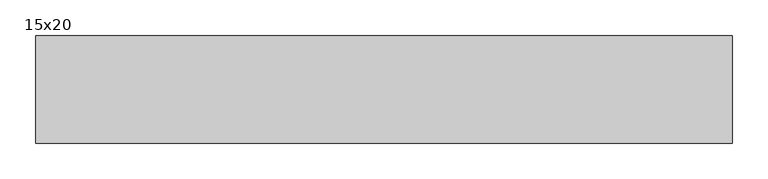
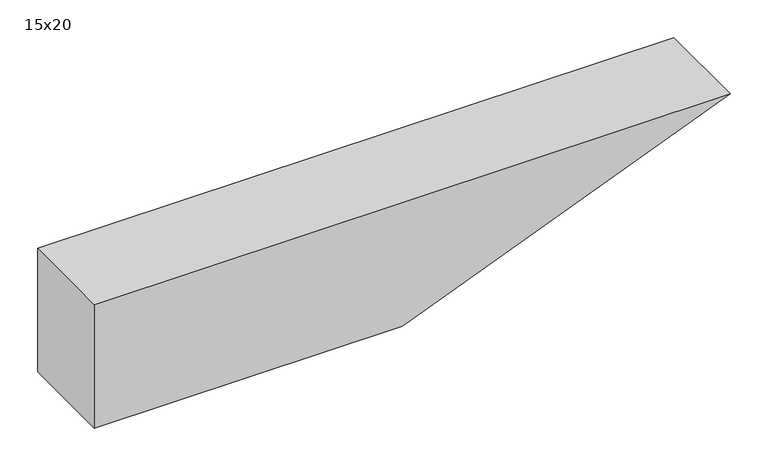
"""IFC4 building model written with IfcOpenShell, lengths in millimetres: beam geometry, 15x20."""

from ifc_helpers import new_model, si_unit, frame, origin, place, context, project, spatial, polyline, outline, extrude, source, transform, mapped, element, save


def beam_15x20_9a7d37b1(model_context):
    return source(origin(), model_context, "Body", "SweptSolid", [
        extrude(outline(polyline([(100.0, -512.0), (-100.0, -512.0), (-100.0, -40.2), (100.0, 462.0), (100.0, -512.0)])), frame((0.0, -75.0, 0.0), z_axis=(0.0, 1.0, 0.0), x_axis=(0.0, 0.0, 1.0)), (0.0, 0.0, 1.0), 150.0),
    ])


if __name__ == "__main__":
    model = new_model("IFC4")
    model_context = context("Model", 3, world=origin())
    ifc_project = project(units=[si_unit("LENGTHUNIT", "METRE", prefix="MILLI")], contexts=[model_context])
    site = spatial("IfcSite", under=ifc_project)
    building = spatial("IfcBuilding", under=site)
    placement = place(None, origin())
    beam_15x20_shape = beam_15x20_9a7d37b1(model_context)
    element("IfcBeam", 1, ObjectType="15x20", at=placement, inside=building, context=model_context, shape_type="MappedRepresentation", body=[
        mapped(beam_15x20_shape, transform((0.0, 0.0, 0.0), x_axis=(1.0, 0.0, 0.0), y_axis=(0.0, 1.0, 0.0), z_axis=(0.0, 0.0, 1.0))),
    ])
    save(model, "model.ifc")
